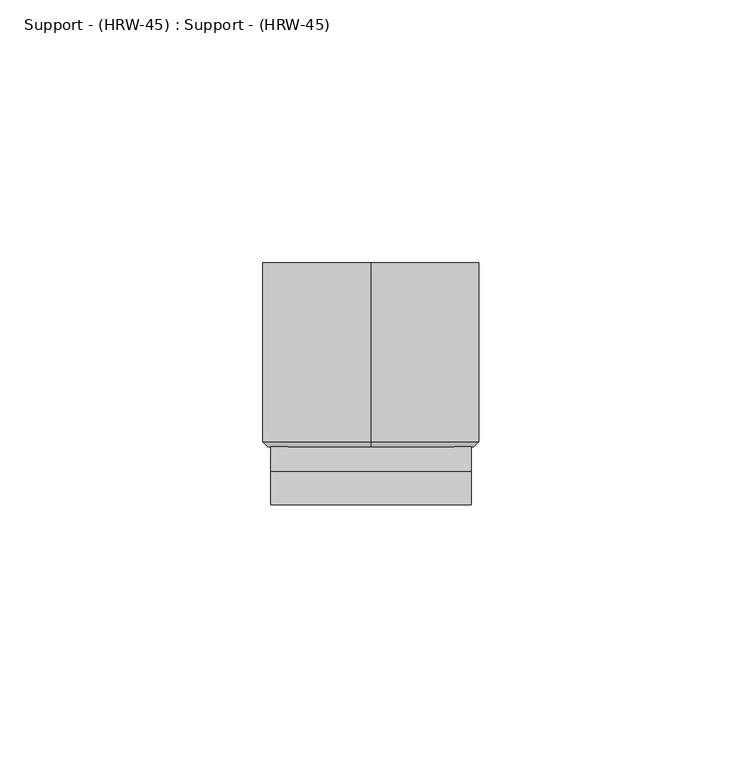
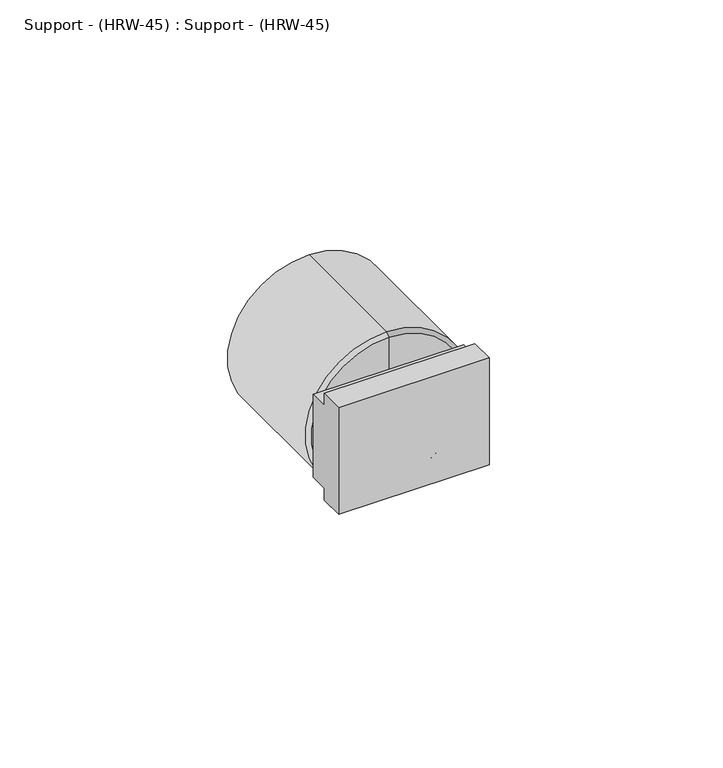
"""IFC4 building model written with IfcOpenShell, lengths in millimetres: proxy geometry, Support - (HRW-45) : Support - (HRW-45)."""

from ifc_helpers import new_model, si_unit, frame, origin, place, context, project, spatial, polyline, circle_curve, outline, extrude, source, transform, mapped, element, save
from ifc_brep_helpers import plane_surface, cylinder_surface, revolved_surface, advanced_brep


def support_hrw_45_support_hrw_45_b91987d6(model_context):
    return source(origin(), model_context, "Body", "SolidModel", [
        extrude(outline(polyline([(10.6786172, 48.8244705), (16.9986811, 48.8244705), (16.9986811, 45.6494705), (21.7669745, 45.6494705), (21.7669745, 23.4244705), (16.9986811, 23.4244705), (16.9986811, 20.2494705), (10.6786172, 20.2494705), (10.6786172, 48.8244705)])), frame((-19.6503168, 0.0, 0.0), z_axis=(1.0, 0.0, 0.0), x_axis=(0.0, 1.0, 0.0)), (0.0, 0.0, 1.0), 38.1),
        advanced_brep(
        [(-0.6003168, 56.6919745, 13.8994705), (-0.6003168, 56.6919745, 55.1744705), (-0.6003168, 56.6919745, 34.5369705), (-0.6003168, 22.7142976, 13.8994705), (-0.6003168, 22.7142976, 55.1744705), (-0.6003168, 21.7669745, 14.8467936), (-0.6003168, 21.7669745, 54.2271475), (-0.6003168, 21.7669745, 34.5369705)],
        [
            (0, 1, circle_curve(frame((-0.6003168, 56.6919745, 34.5369705), z_axis=(0.0, 1.0, 0.0), x_axis=(0.0, 0.0, 1.0)), 20.6375)),
            (1, 2),
            (2, 0),
            (1, 0, circle_curve(frame((-0.6003168, 56.6919745, 34.5369705), z_axis=(0.0, 1.0, 0.0), x_axis=(0.0, 0.0, 1.0)), 20.6375)),
            (3, 4, circle_curve(frame((-0.6003168, 22.7142976, 34.5369705), z_axis=(0.0, 1.0, 0.0), x_axis=(0.0, 0.0, 1.0)), 20.6375)),
            (4, 1),
            (0, 3),
            (4, 3, circle_curve(frame((-0.6003168, 22.7142976, 34.5369705), z_axis=(0.0, 1.0, 0.0), x_axis=(0.0, 0.0, 1.0)), 20.6375)),
            (5, 6, circle_curve(frame((-0.6003168, 21.7669745, 34.5369705), z_axis=(0.0, 1.0, 0.0), x_axis=(0.0, 0.0, 1.0)), 19.6901769)),
            (6, 4),
            (3, 5),
            (6, 5, circle_curve(frame((-0.6003168, 21.7669745, 34.5369705), z_axis=(0.0, 1.0, 0.0), x_axis=(0.0, 0.0, 1.0)), 19.6901769)),
            (7, 6),
            (5, 7),
        ],
        [
            plane_surface(frame((-0.6003168, 56.6919745, 34.5369705), z_axis=(0.0, 1.0, 0.0), x_axis=(0.0, 0.0, 1.0))),
            cylinder_surface(frame((-0.6003168, 15.4169745, 34.5369705), z_axis=(0.0, -1.0, 0.0), x_axis=(0.0, 0.0, 1.0)), 20.6375),
            revolved_surface(polyline([(-0.6003168, 22.7142976, 55.1744705), (-0.6003168, 21.7669745, 54.2271475)]), (-0.6003168, 15.4169745, 34.5369705), (0.0, -1.0, 0.0)),
            plane_surface(frame((-0.6003168, 21.7669745, 34.5369705), z_axis=(0.0, -1.0, 0.0), x_axis=(0.0, 0.0, 1.0))),
        ],
        [
            (0, [[1, 2, 3]]),
            (0, [[4, -3, -2]]),
            (1, [[5, 6, -1, 7]]),
            (1, [[8, -7, -4, -6]]),
            (2, [[9, 10, -5, 11]]),
            (2, [[12, -11, -8, -10]]),
            (3, [[13, -9, 14]]),
            (3, [[-14, -12, -13]]),
        ],
    ),
    ])


if __name__ == "__main__":
    model = new_model("IFC4")
    model_context = context("Model", 3, world=origin())
    ifc_project = project(units=[si_unit("LENGTHUNIT", "METRE", prefix="MILLI")], contexts=[model_context])
    site = spatial("IfcSite", under=ifc_project)
    building = spatial("IfcBuilding", under=site)
    placement = place(None, origin())
    support_hrw_45_support_hrw_45_shape = support_hrw_45_support_hrw_45_b91987d6(model_context)
    element("IfcBuildingElementProxy", 1, Name="Support - (HRW-45) : Support - (HRW-45)", ObjectType="Support - (HRW-45) : Support - (HRW-45)", at=placement, inside=building, context=model_context, shape_type="MappedRepresentation", body=[
        mapped(support_hrw_45_support_hrw_45_shape, transform((0.0, 0.0, 0.0), x_axis=(1.0, 0.0, 0.0), y_axis=(0.0, 1.0, 0.0), z_axis=(0.0, 0.0, 1.0))),
    ])
    save(model, "model.ifc")
